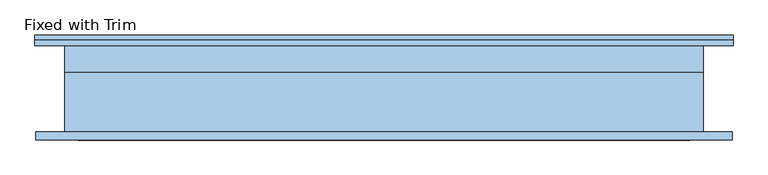
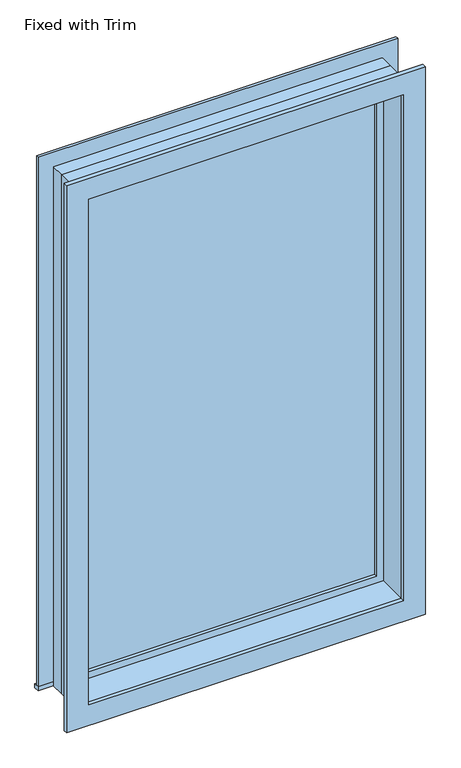
"""IFC4 building model written with IfcOpenShell, lengths in millimetres: window geometry, Fixed with Trim."""

from ifc_helpers import new_model, si_unit, frame, origin, place, context, project, spatial, polyline, outline, extrude, source, transform, mapped, element, save


def fixed_with_trim_dad55ed1(model_context):
    return source(origin(), model_context, "Body", "SweptSolid", [
        extrude(outline(polyline([(-857.95, 127.0), (781.75, 127.0), (781.75, 101.6), (-857.95, 101.6), (-857.95, 127.0)])), frame((0.0, 0.0, 914.4), z_axis=(0.0, 0.0, 1.0), x_axis=(1.0, 0.0, 0.0)), (0.0, 0.0, 1.0), 19.05),
        extrude(outline(polyline([(3395.35, -769.05), (3395.35, 692.85), (933.45, 692.85), (933.45, 781.75), (3484.25, 781.75), (3484.25, -857.95), (933.45, -857.95), (933.45, -769.05), (3395.35, -769.05)])), frame((0.0, 101.6, 0.0), z_axis=(0.0, 1.0, 0.0), x_axis=(0.0, 0.0, 1.0)), (0.0, 0.0, 1.0), 12.7),
        extrude(outline(polyline([(3482.65, 780.15), (3482.65, -856.35), (846.15, -856.35), (846.15, 780.15), (3482.65, 780.15)]), holes=[polyline([(3382.65, 680.15), (946.15, 680.15), (946.15, -756.35), (3382.65, -756.35), (3382.65, 680.15)])]), frame((0.0, -120.65, 0.0), z_axis=(0.0, 1.0, 0.0), x_axis=(0.0, 0.0, 1.0)), (0.0, 0.0, 1.0), 19.05),
        extrude(outline(polyline([(648.4, 53.975), (-724.6, 53.975), (-724.6, 66.675), (648.4, 66.675), (648.4, 53.975)])), frame((0.0, 0.0, 977.9), z_axis=(0.0, 0.0, 1.0), x_axis=(1.0, 0.0, 0.0)), (0.0, 0.0, 1.0), 2373.0),
        extrude(outline(polyline([(3395.35, -769.05), (933.45, -769.05), (933.45, 692.85), (3395.35, 692.85), (3395.35, -769.05)]), holes=[polyline([(3350.9, -724.6), (3350.9, 648.4), (977.9, 648.4), (977.9, -724.6), (3350.9, -724.6)])]), frame((0.0, 38.1, 0.0), z_axis=(0.0, 1.0, 0.0), x_axis=(0.0, 0.0, 1.0)), (0.0, 0.0, 1.0), 44.45),
        extrude(outline(polyline([(3414.4, -788.1), (914.4, -788.1), (914.4, 711.9), (3414.4, 711.9), (3414.4, -788.1)]), holes=[polyline([(3382.65, -756.35), (3382.65, 680.15), (946.15, 680.15), (946.15, -756.35), (3382.65, -756.35)])]), frame((0.0, -101.6, 0.0), z_axis=(0.0, 1.0, 0.0), x_axis=(0.0, 0.0, 1.0)), (0.0, 0.0, 1.0), 139.7),
        extrude(outline(polyline([(3414.4, 711.9), (3414.4, -788.1), (914.4, -788.1), (914.4, 711.9), (3414.4, 711.9)]), holes=[polyline([(3395.35, 692.85), (933.45, 692.85), (933.45, -769.05), (3395.35, -769.05), (3395.35, 692.85)])]), frame((0.0, 38.1, 0.0), z_axis=(0.0, 1.0, 0.0), x_axis=(0.0, 0.0, 1.0)), (0.0, 0.0, 1.0), 63.5),
    ])


if __name__ == "__main__":
    model = new_model("IFC4")
    model_context = context("Model", 3, world=origin())
    ifc_project = project(units=[si_unit("LENGTHUNIT", "METRE", prefix="MILLI")], contexts=[model_context])
    site = spatial("IfcSite", under=ifc_project)
    building = spatial("IfcBuilding", under=site)
    placement = place(None, origin())
    fixed_with_trim_shape = fixed_with_trim_dad55ed1(model_context)
    element("IfcWindow", 1, ObjectType="Fixed with Trim", at=placement, inside=building, context=model_context, shape_type="MappedRepresentation", body=[
        mapped(fixed_with_trim_shape, transform((0.0, 0.0, 0.0), x_axis=(1.0, 0.0, 0.0), y_axis=(0.0, 1.0, 0.0), z_axis=(0.0, 0.0, 1.0))),
    ])
    save(model, "model.ifc")
